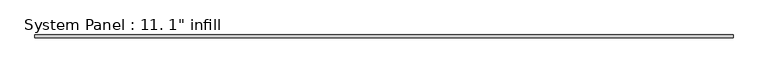
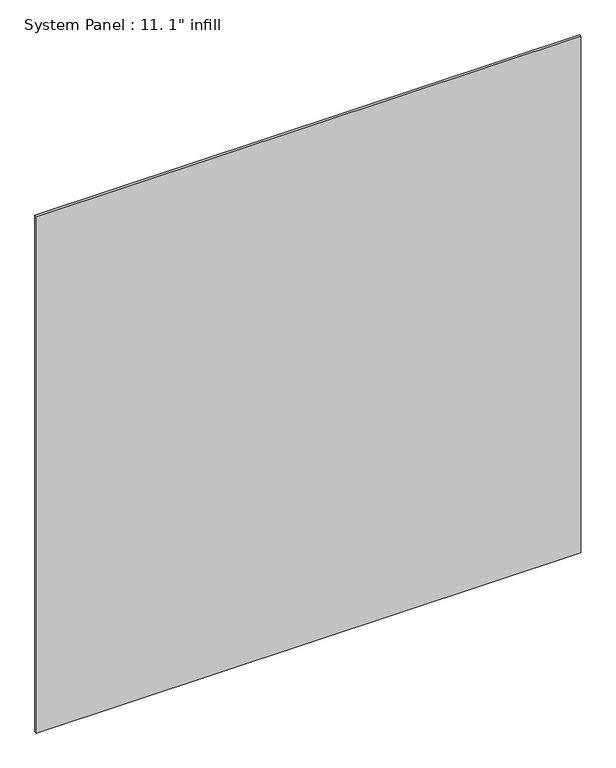
"""IFC4 building model written with IfcOpenShell, lengths in millimetres: plate geometry."""

from ifc_helpers import new_model, si_unit, origin, origin_with_axes, place, context, project, spatial, polyline, outline, extrude, source, transform, mapped, element, save


def plate_33179cac(model_context):
    return source(origin(), model_context, "Body", "SweptSolid", [
        extrude(outline(polyline([(3000.375, -12.7), (-3000.375, -12.7), (-3000.375, 12.7), (3000.375, 12.7), (3000.375, -12.7)])), origin_with_axes(), (0.0, 0.0, 1.0), 6016.6281115),
    ])


if __name__ == "__main__":
    model = new_model("IFC4")
    model_context = context("Model", 3, world=origin())
    ifc_project = project(units=[si_unit("LENGTHUNIT", "METRE", prefix="MILLI")], contexts=[model_context])
    site = spatial("IfcSite", under=ifc_project)
    building = spatial("IfcBuilding", under=site)
    placement = place(None, origin())
    plate_shape = plate_33179cac(model_context)
    element("IfcPlate", 1, ObjectType="System Panel : 11. 1\" infill", at=placement, inside=building, context=model_context, shape_type="MappedRepresentation", body=[
        mapped(plate_shape, transform((0.0, 0.0, 0.0), x_axis=(1.0, 0.0, 0.0), y_axis=(0.0, 1.0, 0.0), z_axis=(0.0, 0.0, 1.0))),
    ])
    save(model, "model.ifc")
